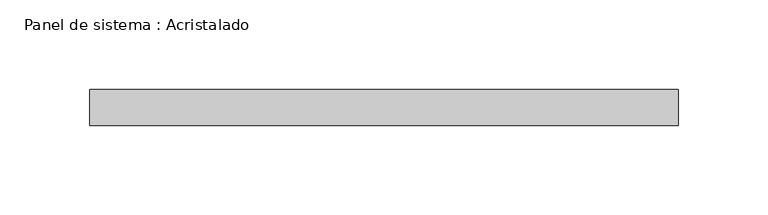
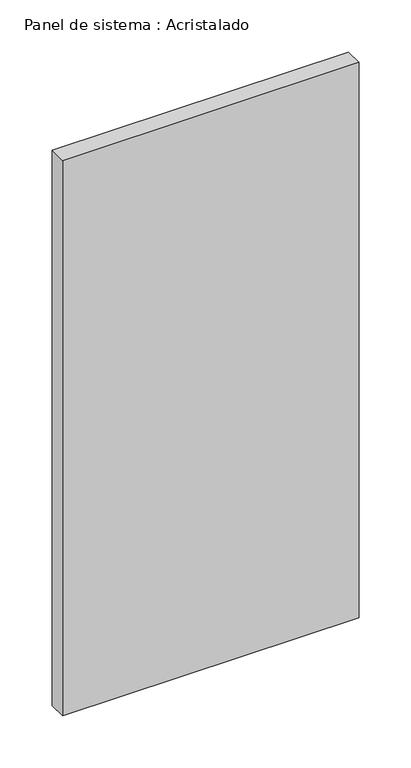
"""IFC4 building model written with IfcOpenShell, lengths in millimetres: plate geometry, Panel de sistema : Acristalado."""

from ifc_helpers import new_model, si_unit, origin, origin_with_axes, place, context, project, spatial, polyline, outline, extrude, source, transform, mapped, element, save


def panel_de_sistema_acristalado_96a75f45(model_context):
    return source(origin(), model_context, "Body", "SweptSolid", [
        extrude(outline(polyline([(164.1666667, -10.0), (-164.1666667, -10.0), (-164.1666667, 10.0), (164.1666667, 10.0), (164.1666667, -10.0)])), origin_with_axes(), (0.0, 0.0, 1.0), 650.0),
    ])


if __name__ == "__main__":
    model = new_model("IFC4")
    model_context = context("Model", 3, world=origin())
    ifc_project = project(units=[si_unit("LENGTHUNIT", "METRE", prefix="MILLI")], contexts=[model_context])
    site = spatial("IfcSite", under=ifc_project)
    building = spatial("IfcBuilding", under=site)
    placement = place(None, origin())
    panel_de_sistema_acristalado_shape = panel_de_sistema_acristalado_96a75f45(model_context)
    element("IfcPlate", 1, ObjectType="Panel de sistema : Acristalado", at=placement, inside=building, context=model_context, shape_type="MappedRepresentation", body=[
        mapped(panel_de_sistema_acristalado_shape, transform((0.0, 0.0, 0.0), x_axis=(1.0, 0.0, 0.0), y_axis=(0.0, 1.0, 0.0), z_axis=(0.0, 0.0, 1.0))),
    ])
    save(model, "model.ifc")
